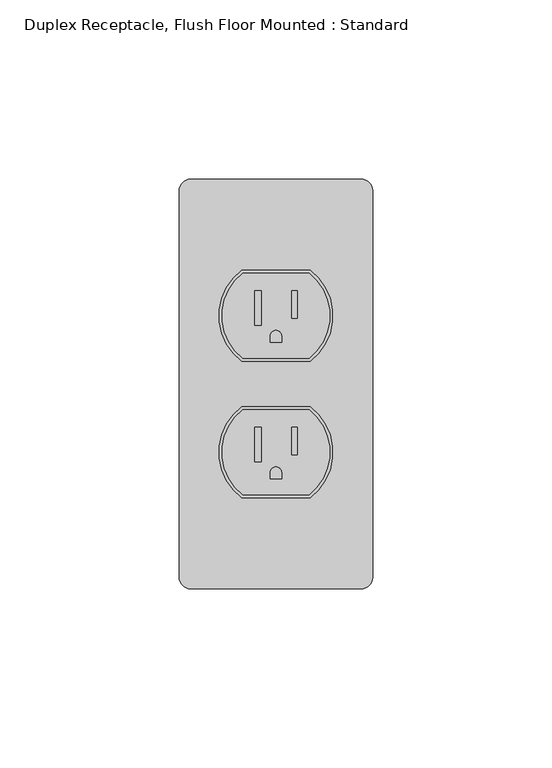
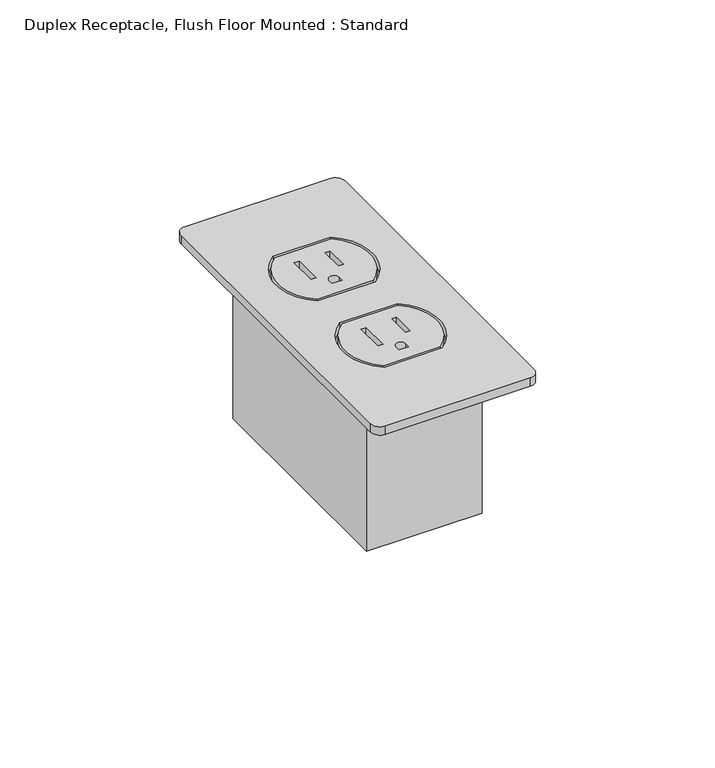
"""IFC4 building model written with IfcOpenShell, lengths in millimetres: proxy geometry, Duplex Receptacle, Flush Floor Mounted : Standard."""

from ifc_helpers import new_model, si_unit, point, frame, frame_2d, origin, origin_with_axes, place, context, project, spatial, polyline, circle_curve, trimmed, segment, composite_curve, outline, extrude, source, transform, mapped, element, save


def duplex_receptacle_flush_floor_mounted_standard_c2ca504c(model_context):
    return source(origin(), model_context, "Body", "SweptSolid", [
        extrude(outline(polyline([(19.05, 38.1), (19.05, -38.1), (-19.05, -38.1), (-19.05, 38.1), (19.05, 38.1)])), frame((0.0, 0.0, -53.975), z_axis=(0.0, 0.0, 1.0), x_axis=(1.0, 0.0, 0.0)), (0.0, 0.0, 1.0), 53.975),
        extrude(outline(composite_curve([segment(trimmed(circle_curve(frame_2d((0.0, 19.05)), 15.08125), [point((9.2566361, 30.95625))], [point((9.2566361, 7.14375))], False, "CARTESIAN"), True, "CONTINUOUS"), segment(polyline([(9.2566361, 7.14375), (-9.2566361, 7.14375)]), True, "CONTINUOUS"), segment(trimmed(circle_curve(frame_2d((0.0, 19.05)), 15.08125), [point((-9.2566361, 7.14375))], [point((-9.2566361, 30.95625))], False, "CARTESIAN"), True, "CONTINUOUS"), segment(polyline([(-9.2566361, 30.95625), (9.2566361, 30.95625)]), True, "CONTINUOUS")], self_intersect=False), holes=[polyline([(-4.1419571, 25.9664222), (-5.8300041, 25.9664222), (-5.8300041, 16.4519754), (-4.1419571, 16.4519754), (-4.1419571, 25.9664222)]), polyline([(5.9095955, 25.9664222), (4.3750073, 25.9664222), (4.3750073, 18.2934812), (5.9095955, 18.2934812), (5.9095955, 25.9664222)]), composite_curve([segment(polyline([(1.5875, 11.698511), (1.5875, 13.3770264)]), True, "CONTINUOUS"), segment(trimmed(circle_curve(frame_2d((0.0, 13.3770264)), 1.5875), [point((1.5875, 13.3770264))], [point((-1.5875, 13.3770264))], True, "CARTESIAN"), True, "CONTINUOUS"), segment(polyline([(-1.5875, 13.3770264), (-1.5875, 11.698511), (1.5875, 11.698511)]), True, "CONTINUOUS")], self_intersect=False)]), origin_with_axes(), (0.0, 0.0, 1.0), 2.9176759),
        extrude(outline(composite_curve([segment(trimmed(circle_curve(frame_2d((0.0, -19.05)), 15.08125), [point((9.2566361, -7.14375))], [point((9.2566361, -30.95625))], False, "CARTESIAN"), True, "CONTINUOUS"), segment(polyline([(9.2566361, -30.95625), (-9.2566361, -30.95625)]), True, "CONTINUOUS"), segment(trimmed(circle_curve(frame_2d((0.0, -19.05)), 15.08125), [point((-9.2566361, -30.95625))], [point((-9.2566361, -7.14375))], False, "CARTESIAN"), True, "CONTINUOUS"), segment(polyline([(-9.2566361, -7.14375), (9.2566361, -7.14375)]), True, "CONTINUOUS")], self_intersect=False), holes=[polyline([(-4.1419571, -12.1335778), (-5.8300041, -12.1335778), (-5.8300041, -21.6480246), (-4.1419571, -21.6480246), (-4.1419571, -12.1335778)]), polyline([(5.9095955, -12.1335778), (4.3750073, -12.1335778), (4.3750073, -19.8065188), (5.9095955, -19.8065188), (5.9095955, -12.1335778)]), composite_curve([segment(polyline([(1.5875, -26.401489), (1.5875, -24.7229736)]), True, "CONTINUOUS"), segment(trimmed(circle_curve(frame_2d((0.0, -24.7229736)), 1.5875), [point((1.5875, -24.7229736))], [point((-1.5875, -24.7229736))], True, "CARTESIAN"), True, "CONTINUOUS"), segment(polyline([(-1.5875, -24.7229736), (-1.5875, -26.401489), (1.5875, -26.401489)]), True, "CONTINUOUS")], self_intersect=False)]), origin_with_axes(), (0.0, 0.0, 1.0), 2.9176759),
        extrude(outline(composite_curve([segment(trimmed(circle_curve(frame_2d((-23.8125, -53.975)), 3.175), [point((-23.8125, -57.15))], [point((-26.9875, -53.975))], False, "CARTESIAN"), True, "CONTINUOUS"), segment(polyline([(-26.9875, -53.975), (-26.9875, 53.975)]), True, "CONTINUOUS"), segment(trimmed(circle_curve(frame_2d((-23.8125, 53.975)), 3.175), [point((-26.9875, 53.975))], [point((-23.8125, 57.15))], False, "CARTESIAN"), True, "CONTINUOUS"), segment(polyline([(-23.8125, 57.15), (23.8125, 57.15)]), True, "CONTINUOUS"), segment(trimmed(circle_curve(frame_2d((23.8125, 53.975)), 3.175), [point((23.8125, 57.15))], [point((26.9875, 53.975))], False, "CARTESIAN"), True, "CONTINUOUS"), segment(polyline([(26.9875, 53.975), (26.9875, -53.975)]), True, "CONTINUOUS"), segment(trimmed(circle_curve(frame_2d((23.8125, -53.975)), 3.175), [point((26.9875, -53.975))], [point((23.8125, -57.15))], False, "CARTESIAN"), True, "CONTINUOUS"), segment(polyline([(23.8125, -57.15), (-23.8125, -57.15)]), True, "CONTINUOUS")], self_intersect=False), holes=[composite_curve([segment(polyline([(9.525, 31.75), (-9.525, 31.75)]), True, "CONTINUOUS"), segment(trimmed(circle_curve(frame_2d((0.0, 19.05)), 15.875), [point((-9.525, 31.75))], [point((-9.525, 6.35))], True, "CARTESIAN"), True, "CONTINUOUS"), segment(polyline([(-9.525, 6.35), (9.525, 6.35)]), True, "CONTINUOUS"), segment(trimmed(circle_curve(frame_2d((0.0, 19.05)), 15.875), [point((9.525, 6.35))], [point((9.525, 31.75))], True, "CARTESIAN"), True, "CONTINUOUS")], self_intersect=False), composite_curve([segment(polyline([(9.525, -6.35), (-9.525, -6.35)]), True, "CONTINUOUS"), segment(trimmed(circle_curve(frame_2d((0.0, -19.05)), 15.875), [point((-9.525, -6.35))], [point((-9.525, -31.75))], True, "CARTESIAN"), True, "CONTINUOUS"), segment(polyline([(-9.525, -31.75), (9.525, -31.75)]), True, "CONTINUOUS"), segment(trimmed(circle_curve(frame_2d((0.0, -19.05)), 15.875), [point((9.525, -31.75))], [point((9.525, -6.35))], True, "CARTESIAN"), True, "CONTINUOUS")], self_intersect=False)]), origin_with_axes(), (0.0, 0.0, 1.0), 2.9176759),
    ])


if __name__ == "__main__":
    model = new_model("IFC4")
    model_context = context("Model", 3, world=origin())
    ifc_project = project(units=[si_unit("LENGTHUNIT", "METRE", prefix="MILLI")], contexts=[model_context])
    site = spatial("IfcSite", under=ifc_project)
    building = spatial("IfcBuilding", under=site)
    placement = place(None, origin())
    duplex_receptacle_flush_floor_mounted_standard_shape = duplex_receptacle_flush_floor_mounted_standard_c2ca504c(model_context)
    element("IfcBuildingElementProxy", 1, Name="Duplex Receptacle, Flush Floor Mounted : Standard", ObjectType="Duplex Receptacle, Flush Floor Mounted : Standard", at=placement, inside=building, context=model_context, shape_type="MappedRepresentation", body=[
        mapped(duplex_receptacle_flush_floor_mounted_standard_shape, transform((0.0, 0.0, 0.0), x_axis=(1.0, 0.0, 0.0), y_axis=(0.0, 1.0, 0.0), z_axis=(0.0, 0.0, 1.0))),
    ])
    save(model, "model.ifc")
